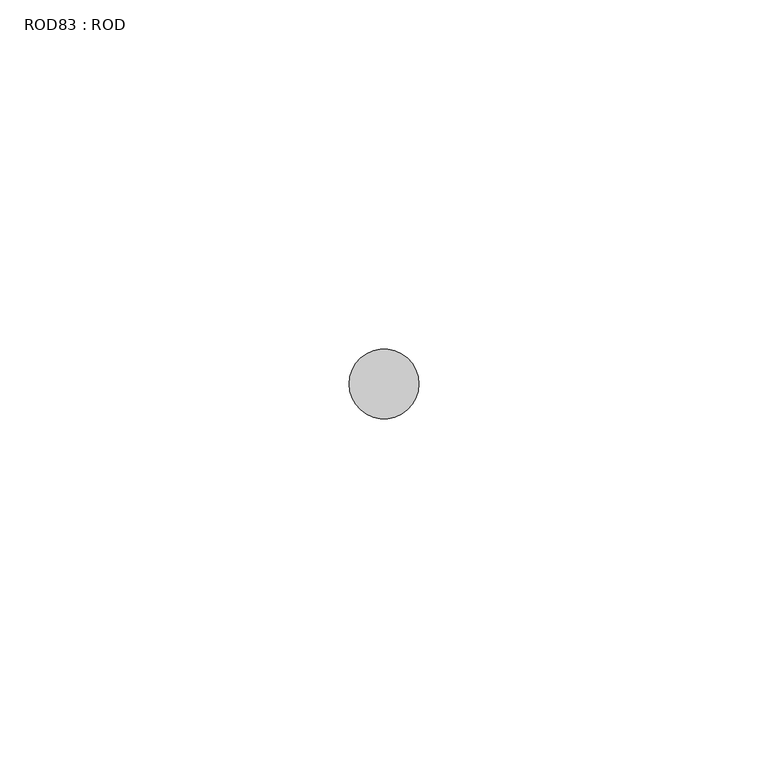
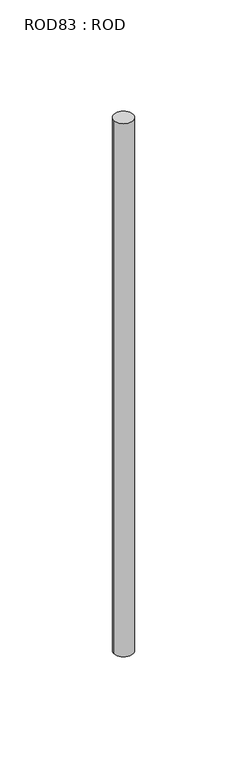
"""IFC4 building model written with IfcOpenShell, lengths in millimetres: proxy geometry, ROD83 : ROD."""

from ifc_helpers import new_model, si_unit, point, frame, frame_2d, origin, place, context, project, spatial, circle_curve, trimmed, segment, composite_curve, outline, extrude, source, transform, mapped, element, save


def rod83_rod_abf8d926(model_context):
    return source(origin(), model_context, "Body", "SweptSolid", [
        extrude(outline(composite_curve([segment(trimmed(circle_curve(frame_2d((8999.7673324, -10466.6028424)), 5.0), [point((8994.7673324, -10466.6028424))], [point((9004.7673324, -10466.6028424))], False, "CARTESIAN"), True, "CONTINUOUS"), segment(trimmed(circle_curve(frame_2d((8999.7673324, -10466.6028424)), 5.0), [point((9004.7673324, -10466.6028424))], [point((8994.7673324, -10466.6028424))], False, "CARTESIAN"), True, "CONTINUOUS")], self_intersect=False)), frame((0.0, 0.0, -108.6608845), z_axis=(0.0, 0.0, 1.0), x_axis=(1.0, 0.0, 0.0)), (0.0, 0.0, 1.0), 298.9028972),
    ])


if __name__ == "__main__":
    model = new_model("IFC4")
    model_context = context("Model", 3, world=origin())
    ifc_project = project(units=[si_unit("LENGTHUNIT", "METRE", prefix="MILLI")], contexts=[model_context])
    site = spatial("IfcSite", under=ifc_project)
    building = spatial("IfcBuilding", under=site)
    placement = place(None, origin())
    rod83_rod_shape = rod83_rod_abf8d926(model_context)
    element("IfcBuildingElementProxy", 1, Name="ROD83 : ROD", ObjectType="ROD83 : ROD", at=placement, inside=building, context=model_context, shape_type="MappedRepresentation", body=[
        mapped(rod83_rod_shape, transform((0.0, 0.0, 0.0), x_axis=(1.0, 0.0, 0.0), y_axis=(0.0, 1.0, 0.0), z_axis=(0.0, 0.0, 1.0))),
    ])
    save(model, "model.ifc")
